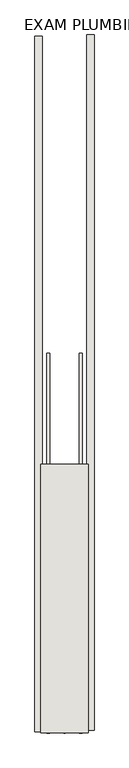
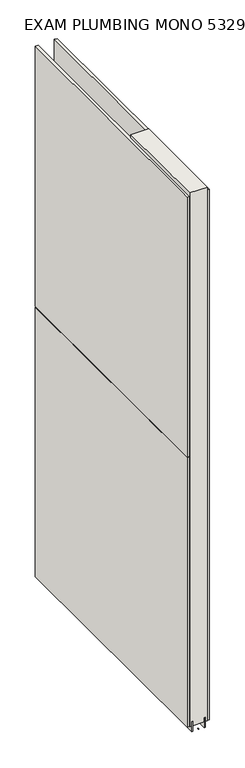
"""IFC4 building model written with IfcOpenShell, lengths in millimetres: wall geometry, EXAM PLUMBING MONO 532939 : EXAM PLUMBING MONO 532939."""

from ifc_helpers import new_model, si_unit, frame, origin, place, context, project, spatial, polyline, outline, extrude, source, transform, mapped, element, save


def exam_plumbing_mono_532939_exam_plumbing_mono_532939_1e53aac0(model_context):
    return source(origin(), model_context, "Body", "SweptSolid", [
        extrude(outline(polyline([(44102.7108038, -55984.966008), (44102.7108038, -55982.426008), (44105.2508038, -55982.426008), (44105.2508038, -55984.966008), (44102.7108038, -55984.966008)])), frame((0.0, 0.0, 4419.6), z_axis=(0.0, 0.0, 1.0), x_axis=(1.0, 0.0, 0.0)), (0.0, 0.0, 1.0), 2.54),
        extrude(outline(polyline([(44154.7808038, -54786.4957608), (44154.7808038, -55980.4981988), (44142.0808038, -55980.4981988), (44142.0808038, -54786.4957608), (44154.7808038, -54786.4957608)])), frame((0.0, 0.0, 4445.0), z_axis=(0.0, 0.0, 1.0), x_axis=(1.0, 0.0, 0.0)), (0.0, 0.0, 1.0), 2545.0498756),
        extrude(outline(polyline([(44053.1808038, -55982.966266), (44053.1808038, -54788.963828), (44065.8808038, -54788.963828), (44065.8808038, -55982.966266), (44053.1808038, -55982.966266)])), frame((0.0, 0.0, 4445.0), z_axis=(0.0, 0.0, 1.0), x_axis=(1.0, 0.0, 0.0)), (0.0, 0.0, 1.0), 1293.400004),
        extrude(outline(polyline([(44053.1808038, -55982.966266), (44053.1808038, -54788.963828), (44065.8808038, -54788.963828), (44065.8808038, -55982.966266), (44053.1808038, -55982.966266)])), frame((0.0, 0.0, 5742.4000722), z_axis=(0.0, 0.0, 1.0), x_axis=(1.0, 0.0, 0.0)), (0.0, 0.0, 1.0), 1247.649905),
        extrude(outline(polyline([(44129.070746, -55984.9796478), (44129.070746, -55333.0628414), (44134.1495014, -55333.0628414), (44134.1495014, -55984.9796478), (44129.070746, -55984.9796478)])), frame((0.0, 0.0, 4418.6602), z_axis=(0.0, 0.0, 1.0), x_axis=(1.0, 0.0, 0.0)), (0.0, 0.0, 1.0), 47.625),
        extrude(outline(polyline([(44129.070746, -55984.9796478), (44129.070746, -55333.0628414), (44134.1495014, -55333.0628414), (44134.1495014, -55984.9796478), (44129.070746, -55984.9796478)])), frame((0.0, 0.0, 4418.6602), z_axis=(0.0, 0.0, 1.0), x_axis=(1.0, 0.0, 0.0)), (0.0, 0.0, 1.0), 47.625),
        extrude(outline(polyline([(44078.906381, -55333.0628414), (44078.906381, -55984.9796478), (44073.8245014, -55984.9796478), (44073.8245014, -55333.0628414), (44078.906381, -55333.0628414)])), frame((0.0, 0.0, 4418.6602), z_axis=(0.0, 0.0, 1.0), x_axis=(1.0, 0.0, 0.0)), (0.0, 0.0, 1.0), 47.625),
        extrude(outline(polyline([(44078.906381, -55333.0628414), (44078.906381, -55984.9796478), (44073.8245014, -55984.9796478), (44073.8245014, -55333.0628414), (44078.906381, -55333.0628414)])), frame((0.0, 0.0, 4418.6602), z_axis=(0.0, 0.0, 1.0), x_axis=(1.0, 0.0, 0.0)), (0.0, 0.0, 1.0), 47.625),
        extrude(outline(polyline([(44144.6170954, -55984.9796478), (44063.3352412, -55984.9796478), (44063.3352412, -55523.5628414), (44144.6170954, -55523.5628414), (44144.6170954, -55984.9796478)])), frame((0.0, 0.0, 4445.0), z_axis=(0.0, 0.0, 1.0), x_axis=(1.0, 0.0, 0.0)), (0.0, 0.0, 1.0), 2562.4536762),
    ])


if __name__ == "__main__":
    model = new_model("IFC4")
    model_context = context("Model", 3, world=origin())
    ifc_project = project(units=[si_unit("LENGTHUNIT", "METRE", prefix="MILLI")], contexts=[model_context])
    site = spatial("IfcSite", under=ifc_project)
    building = spatial("IfcBuilding", under=site)
    placement = place(None, origin())
    exam_plumbing_mono_532939_exam_plumbing_mono_532939_shape = exam_plumbing_mono_532939_exam_plumbing_mono_532939_1e53aac0(model_context)
    element("IfcWall", 1, ObjectType="EXAM PLUMBING MONO 532939 : EXAM PLUMBING MONO 532939", at=placement, inside=building, context=model_context, shape_type="MappedRepresentation", body=[
        mapped(exam_plumbing_mono_532939_exam_plumbing_mono_532939_shape, transform((0.0, 0.0, 0.0), x_axis=(1.0, 0.0, 0.0), y_axis=(0.0, 1.0, 0.0), z_axis=(0.0, 0.0, 1.0))),
    ])
    save(model, "model.ifc")
